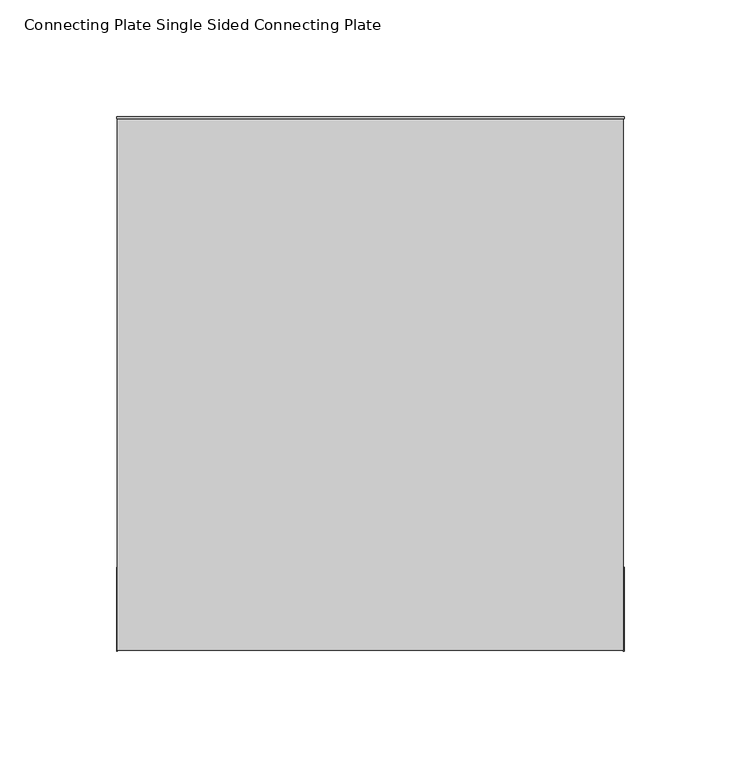
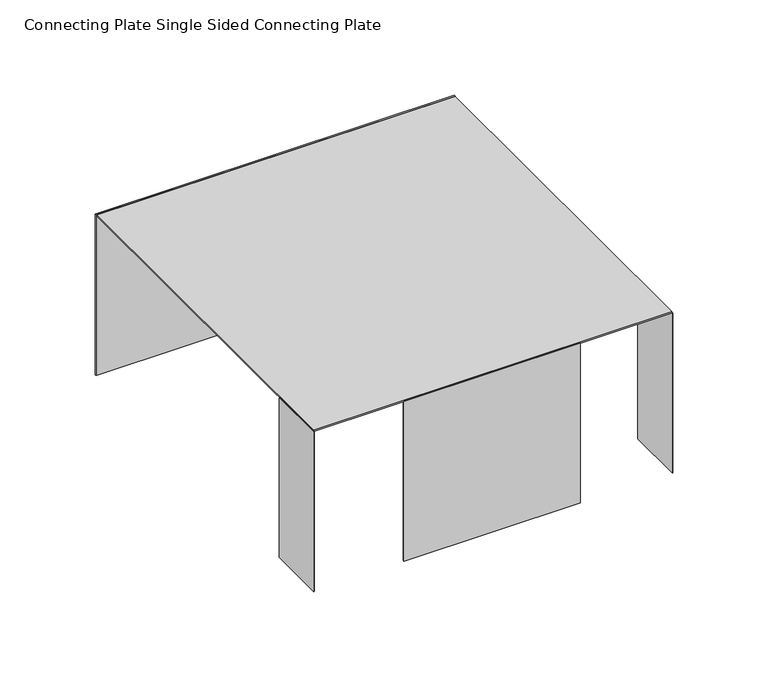
"""IFC4 building model written with IfcOpenShell, lengths in millimetres: furniture geometry, Connecting Plate Single Sided Connecting Plate."""

from ifc_helpers import new_model, si_unit, frame, origin, place, context, project, spatial, polyline, outline, extrude, source, transform, mapped, element, save


def connecting_plate_single_sided_connecting_plate_591a8113(model_context):
    return source(origin(), model_context, "Body", "SweptSolid", [
        extrude(outline(polyline([(66.0303552, -201.9855756), (-40.9798463, -201.9855756), (-40.9798463, -201.1155283), (66.0303552, -201.1155283), (66.0303552, -201.9855756)])), frame((0.0, 0.0, 332.4660802), z_axis=(0.0, 0.0, 1.0), x_axis=(1.0, 0.0, 0.0)), (0.0, 0.0, 1.0), 102.3619932),
        extrude(outline(polyline([(-95.589605, -166.2670073), (-95.589605, -202.43662), (-95.9706046, -202.43662), (-95.9706046, -166.2670073), (-95.589605, -166.2670073)])), frame((0.0, 0.0, 332.4660802), z_axis=(0.0, 0.0, 1.0), x_axis=(1.0, 0.0, 0.0)), (0.0, 0.0, 1.0), 102.3619932),
        extrude(outline(polyline([(121.7834731, 26.8938201), (121.7834731, 26.0237728), (-95.9707227, 26.0237728), (-95.9707227, 26.8938201), (121.7834731, 26.8938201)])), frame((0.0, 0.0, 332.4660802), z_axis=(0.0, 0.0, 1.0), x_axis=(1.0, 0.0, 0.0)), (0.0, 0.0, 1.0), 103.1240107),
        extrude(outline(polyline([(121.4024734, 26.5128204), (121.4024734, -201.9855756), (-95.5897231, -201.9855756), (-95.5897231, 26.5128204), (121.4024734, 26.5128204)])), frame((0.0, 0.0, 434.6768117), z_axis=(0.0, 0.0, 1.0), x_axis=(1.0, 0.0, 0.0)), (0.0, 0.0, 1.0), 0.9132792),
        extrude(outline(polyline([(121.4023523, -202.43662), (121.4023523, -166.2670073), (121.783352, -166.2670073), (121.783352, -202.43662), (121.4023523, -202.43662)])), frame((0.0, 0.0, 332.4660802), z_axis=(0.0, 0.0, 1.0), x_axis=(1.0, 0.0, 0.0)), (0.0, 0.0, 1.0), 102.3619932),
    ])


if __name__ == "__main__":
    model = new_model("IFC4")
    model_context = context("Model", 3, world=origin())
    ifc_project = project(units=[si_unit("LENGTHUNIT", "METRE", prefix="MILLI")], contexts=[model_context])
    site = spatial("IfcSite", under=ifc_project)
    building = spatial("IfcBuilding", under=site)
    placement = place(None, origin())
    connecting_plate_single_sided_connecting_plate_shape = connecting_plate_single_sided_connecting_plate_591a8113(model_context)
    element("IfcFurniture", 1, ObjectType="Connecting Plate Single Sided Connecting Plate", at=placement, inside=building, context=model_context, shape_type="MappedRepresentation", body=[
        mapped(connecting_plate_single_sided_connecting_plate_shape, transform((0.0, 0.0, 0.0), x_axis=(1.0, 0.0, 0.0), y_axis=(0.0, 1.0, 0.0), z_axis=(0.0, 0.0, 1.0))),
    ])
    save(model, "model.ifc")
